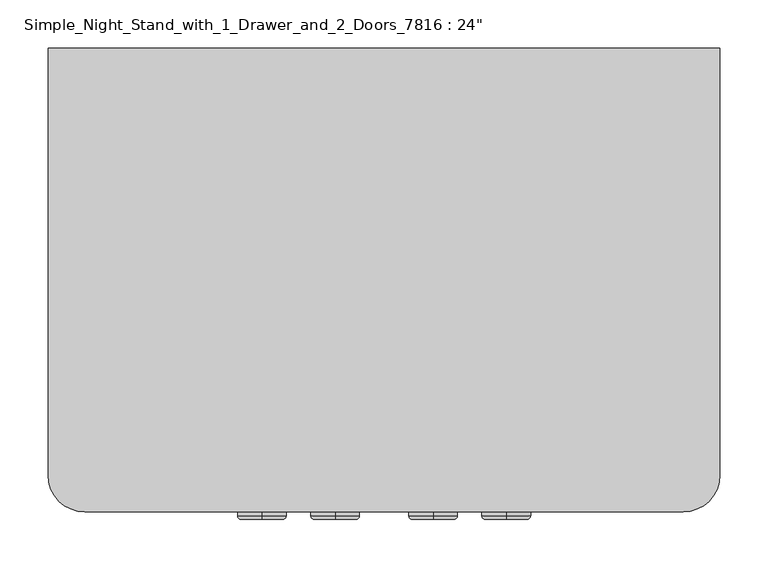
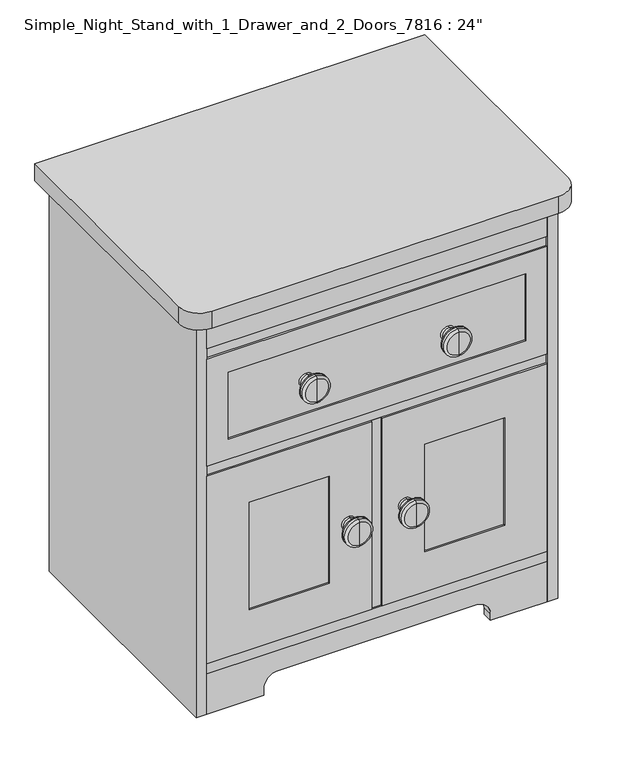
"""IFC4 building model written with IfcOpenShell, lengths in millimetres: furniture geometry."""

from ifc_helpers import new_model, si_unit, point, frame, frame_2d, origin, origin_with_axes, place, context, project, spatial, polyline, circle_curve, ellipse_curve, trimmed, segment, composite_curve, outline, extrude, source, transform, mapped, element, save
from ifc_brep_helpers import plane_surface, cylinder_surface, revolved_surface, advanced_brep


def furniture_945c31c7(model_context):
    return source(origin(), model_context, "Body", "SolidModel", [
        advanced_brep(
        [(-253.0781031, -461.16875, 558.8), (-253.0781031, -461.16875, 584.2), (-253.0781031, -457.2, 584.2), (-253.0781031, -457.2, 558.8), (-253.0781031, -465.1375, 562.76875), (-253.0781031, -465.1375, 580.23125), (-253.0781031, -465.1375, 564.35625), (-253.0781031, -465.1375, 578.64375), (-253.0781031, -469.10625, 568.325), (-253.0781031, -469.10625, 574.675), (-253.0781031, -473.86875, 568.325), (-253.0781031, -473.86875, 574.675), (-253.0781031, -477.8375, 564.35625), (-253.0781031, -477.8375, 578.64375), (-253.0781031, -477.8375, 550.06875), (-253.0781031, -477.8375, 592.93125), (-253.0781031, -481.80625, 546.1), (-253.0781031, -481.80625, 596.9), (-253.0781031, -486.56875, 546.1), (-253.0781031, -486.56875, 596.9), (-253.0781031, -490.5375, 550.06875), (-253.0781031, -490.5375, 592.93125), (-253.0781031, -490.5375, 571.5), (-253.0781031, -457.2, 571.5)],
        [
            (0, 1, circle_curve(frame((-253.0781031, -461.16875, 571.5), z_axis=(0.0, 1.0, 0.0), x_axis=(0.0, 0.0, 1.0)), 12.7)),
            (1, 2),
            (2, 3, circle_curve(frame((-253.0781031, -457.2, 571.5), z_axis=(0.0, -1.0, 0.0), x_axis=(0.0, 0.0, 1.0)), 12.7)),
            (3, 0),
            (1, 0, circle_curve(frame((-253.0781031, -461.16875, 571.5), z_axis=(0.0, 1.0, 0.0), x_axis=(0.0, 0.0, 1.0)), 12.7)),
            (3, 2, circle_curve(frame((-253.0781031, -457.2, 571.5), z_axis=(0.0, -1.0, 0.0), x_axis=(0.0, 0.0, 1.0)), 12.7)),
            (4, 5, circle_curve(frame((-253.0781031, -465.1375, 571.5), z_axis=(0.0, 1.0, 0.0), x_axis=(0.0, 0.0, 1.0)), 8.73125)),
            (5, 1, circle_curve(frame((-253.0781031, -461.16875, 580.23125), z_axis=(-1.0, 0.0, 0.0), x_axis=(0.0, 0.0, 1.0)), 3.96875)),
            (0, 4, circle_curve(frame((-253.0781031, -461.16875, 562.76875), z_axis=(-1.0, 0.0, 0.0), x_axis=(0.0, 0.0, -1.0)), 3.96875)),
            (5, 4, circle_curve(frame((-253.0781031, -465.1375, 571.5), z_axis=(0.0, 1.0, 0.0), x_axis=(0.0, 0.0, 1.0)), 8.73125)),
            (6, 7, circle_curve(frame((-253.0781031, -465.1375, 571.5), z_axis=(0.0, 1.0, 0.0), x_axis=(0.0, 0.0, 1.0)), 7.14375)),
            (7, 5),
            (4, 6),
            (7, 6, circle_curve(frame((-253.0781031, -465.1375, 571.5), z_axis=(0.0, 1.0, 0.0), x_axis=(0.0, 0.0, 1.0)), 7.14375)),
            (8, 9, circle_curve(frame((-253.0781031, -469.10625, 571.5), z_axis=(0.0, 1.0, 0.0), x_axis=(0.0, 0.0, 1.0)), 3.175)),
            (9, 7, circle_curve(frame((-253.0781031, -469.10625, 578.64375), z_axis=(1.0, 0.0, 0.0), x_axis=(0.0, 0.0, 1.0)), 3.96875)),
            (6, 8, circle_curve(frame((-253.0781031, -469.10625, 564.35625), z_axis=(1.0, 0.0, 0.0), x_axis=(0.0, 0.0, -1.0)), 3.96875)),
            (9, 8, circle_curve(frame((-253.0781031, -469.10625, 571.5), z_axis=(0.0, 1.0, 0.0), x_axis=(0.0, 0.0, 1.0)), 3.175)),
            (10, 11, circle_curve(frame((-253.0781031, -473.86875, 571.5), z_axis=(0.0, 1.0, 0.0), x_axis=(0.0, 0.0, 1.0)), 3.175)),
            (11, 9),
            (8, 10),
            (11, 10, circle_curve(frame((-253.0781031, -473.86875, 571.5), z_axis=(0.0, 1.0, 0.0), x_axis=(0.0, 0.0, 1.0)), 3.175)),
            (12, 13, circle_curve(frame((-253.0781031, -477.8375, 571.5), z_axis=(0.0, 1.0, 0.0), x_axis=(0.0, 0.0, 1.0)), 7.14375)),
            (13, 11, circle_curve(frame((-253.0781031, -473.86875, 578.64375), z_axis=(1.0, 0.0, 0.0), x_axis=(0.0, 0.0, 1.0)), 3.96875)),
            (10, 12, circle_curve(frame((-253.0781031, -473.86875, 564.35625), z_axis=(1.0, 0.0, 0.0), x_axis=(0.0, 0.0, -1.0)), 3.96875)),
            (13, 12, circle_curve(frame((-253.0781031, -477.8375, 571.5), z_axis=(0.0, 1.0, 0.0), x_axis=(0.0, 0.0, 1.0)), 7.14375)),
            (14, 15, circle_curve(frame((-253.0781031, -477.8375, 571.5), z_axis=(0.0, 1.0, 0.0), x_axis=(0.0, 0.0, 1.0)), 21.43125)),
            (15, 13),
            (12, 14),
            (15, 14, circle_curve(frame((-253.0781031, -477.8375, 571.5), z_axis=(0.0, 1.0, 0.0), x_axis=(0.0, 0.0, 1.0)), 21.43125)),
            (16, 17, circle_curve(frame((-253.0781031, -481.80625, 571.5), z_axis=(0.0, 1.0, 0.0), x_axis=(0.0, 0.0, 1.0)), 25.4)),
            (17, 15, circle_curve(frame((-253.0781031, -481.80625, 592.93125), z_axis=(-1.0, 0.0, 0.0), x_axis=(0.0, 0.0, 1.0)), 3.96875)),
            (14, 16, circle_curve(frame((-253.0781031, -481.80625, 550.06875), z_axis=(-1.0, 0.0, 0.0), x_axis=(0.0, 0.0, -1.0)), 3.96875)),
            (17, 16, circle_curve(frame((-253.0781031, -481.80625, 571.5), z_axis=(0.0, 1.0, 0.0), x_axis=(0.0, 0.0, 1.0)), 25.4)),
            (18, 19, circle_curve(frame((-253.0781031, -486.56875, 571.5), z_axis=(0.0, 1.0, 0.0), x_axis=(0.0, 0.0, 1.0)), 25.4)),
            (19, 17),
            (16, 18),
            (19, 18, circle_curve(frame((-253.0781031, -486.56875, 571.5), z_axis=(0.0, 1.0, 0.0), x_axis=(0.0, 0.0, 1.0)), 25.4)),
            (20, 21, circle_curve(frame((-253.0781031, -490.5375, 571.5), z_axis=(0.0, 1.0, 0.0), x_axis=(0.0, 0.0, 1.0)), 21.43125)),
            (21, 19, circle_curve(frame((-253.0781031, -486.56875, 592.93125), z_axis=(-1.0, 0.0, 0.0), x_axis=(0.0, 0.0, 1.0)), 3.96875)),
            (18, 20, circle_curve(frame((-253.0781031, -486.56875, 550.06875), z_axis=(-1.0, 0.0, 0.0), x_axis=(0.0, 0.0, -1.0)), 3.96875)),
            (21, 20, circle_curve(frame((-253.0781031, -490.5375, 571.5), z_axis=(0.0, 1.0, 0.0), x_axis=(0.0, 0.0, 1.0)), 21.43125)),
            (22, 21),
            (20, 22),
            (2, 23),
            (23, 3),
        ],
        [
            cylinder_surface(frame((-253.0781031, -457.2, 571.5), z_axis=(0.0, -1.0, 0.0), x_axis=(0.0, 0.0, 1.0)), 12.7),
            revolved_surface(trimmed(ellipse_curve(frame((-253.0781031, -461.16875, 580.23125), z_axis=(1.0, 0.0, 0.0), x_axis=(0.0, 0.0, 1.0)), 3.96875, 3.96875), [point((-253.0781031, -461.16875, 584.2))], [point((-253.0781031, -465.1375, 580.23125))], True, "CARTESIAN"), (-253.0781031, -457.2, 571.5), (0.0, -1.0, 0.0)),
            plane_surface(frame((-253.0781031, -465.1375, 571.5), z_axis=(0.0, -1.0, 0.0), x_axis=(0.0, 0.0, 1.0))),
            revolved_surface(trimmed(ellipse_curve(frame((-253.0781031, -469.10625, 578.64375), z_axis=(-1.0, 0.0, 0.0), x_axis=(0.0, 0.0, 1.0)), 3.96875, 3.96875), [point((-253.0781031, -465.1375, 578.64375))], [point((-253.0781031, -469.10625, 574.675))], True, "CARTESIAN"), (-253.0781031, -457.2, 571.5), (0.0, -1.0, 0.0)),
            cylinder_surface(frame((-253.0781031, -457.2, 571.5), z_axis=(0.0, -1.0, 0.0), x_axis=(0.0, 0.0, 1.0)), 3.175),
            revolved_surface(trimmed(ellipse_curve(frame((-253.0781031, -473.86875, 578.64375), z_axis=(-1.0, 0.0, 0.0), x_axis=(0.0, 0.0, 1.0)), 3.96875, 3.96875), [point((-253.0781031, -473.86875, 574.675))], [point((-253.0781031, -477.8375, 578.64375))], True, "CARTESIAN"), (-253.0781031, -457.2, 571.5), (0.0, -1.0, 0.0)),
            plane_surface(frame((-253.0781031, -477.8375, 571.5), z_axis=(0.0, 1.0, 0.0), x_axis=(0.0, 0.0, 1.0))),
            revolved_surface(trimmed(ellipse_curve(frame((-253.0781031, -481.80625, 592.93125), z_axis=(1.0, 0.0, 0.0), x_axis=(0.0, 0.0, 1.0)), 3.96875, 3.96875), [point((-253.0781031, -477.8375, 592.93125))], [point((-253.0781031, -481.80625, 596.9))], True, "CARTESIAN"), (-253.0781031, -457.2, 571.5), (0.0, -1.0, 0.0)),
            cylinder_surface(frame((-253.0781031, -457.2, 571.5), z_axis=(0.0, -1.0, 0.0), x_axis=(0.0, 0.0, 1.0)), 25.4),
            revolved_surface(trimmed(ellipse_curve(frame((-253.0781031, -486.56875, 592.93125), z_axis=(1.0, 0.0, 0.0), x_axis=(0.0, 0.0, 1.0)), 3.96875, 3.96875), [point((-253.0781031, -486.56875, 596.9))], [point((-253.0781031, -490.5375, 592.93125))], True, "CARTESIAN"), (-253.0781031, -457.2, 571.5), (0.0, -1.0, 0.0)),
            plane_surface(frame((-253.0781031, -490.5375, 571.5), z_axis=(0.0, -1.0, 0.0), x_axis=(0.0, 0.0, 1.0))),
            plane_surface(frame((-253.0781031, -457.2, 571.5), z_axis=(0.0, 1.0, 0.0), x_axis=(0.0, 0.0, 1.0))),
        ],
        [
            (0, [[1, 2, 3, 4]]),
            (0, [[5, -4, 6, -2]]),
            (1, [[7, 8, -1, 9]]),
            (1, [[10, -9, -5, -8]]),
            (2, [[11, 12, -7, 13]]),
            (2, [[14, -13, -10, -12]]),
            (3, [[15, 16, -11, 17]]),
            (3, [[18, -17, -14, -16]]),
            (4, [[19, 20, -15, 21]]),
            (4, [[22, -21, -18, -20]]),
            (5, [[23, 24, -19, 25]]),
            (5, [[26, -25, -22, -24]]),
            (6, [[27, 28, -23, 29]]),
            (6, [[30, -29, -26, -28]]),
            (7, [[31, 32, -27, 33]]),
            (7, [[34, -33, -30, -32]]),
            (8, [[35, 36, -31, 37]]),
            (8, [[38, -37, -34, -36]]),
            (9, [[39, 40, -35, 41]]),
            (9, [[42, -41, -38, -40]]),
            (10, [[43, -39, 44]]),
            (10, [[-44, -42, -43]]),
            (11, [[-3, 45, 46]]),
            (11, [[-6, -46, -45]]),
        ],
    ),
        advanced_brep(
        [(0.9218969, -461.16875, 558.8), (0.9218969, -461.16875, 584.2), (0.9218969, -457.2, 584.2), (0.9218969, -457.2, 558.8), (0.9218969, -465.1375, 562.76875), (0.9218969, -465.1375, 580.23125), (0.9218969, -465.1375, 564.35625), (0.9218969, -465.1375, 578.64375), (0.9218969, -469.10625, 568.325), (0.9218969, -469.10625, 574.675), (0.9218969, -473.86875, 568.325), (0.9218969, -473.86875, 574.675), (0.9218969, -477.8375, 564.35625), (0.9218969, -477.8375, 578.64375), (0.9218969, -477.8375, 550.06875), (0.9218969, -477.8375, 592.93125), (0.9218969, -481.80625, 546.1), (0.9218969, -481.80625, 596.9), (0.9218969, -486.56875, 546.1), (0.9218969, -486.56875, 596.9), (0.9218969, -490.5375, 550.06875), (0.9218969, -490.5375, 592.93125), (0.9218969, -490.5375, 571.5), (0.9218969, -457.2, 571.5)],
        [
            (0, 1, circle_curve(frame((0.9218969, -461.16875, 571.5), z_axis=(0.0, 1.0, 0.0), x_axis=(0.0, 0.0, 1.0)), 12.7)),
            (1, 2),
            (2, 3, circle_curve(frame((0.9218969, -457.2, 571.5), z_axis=(0.0, -1.0, 0.0), x_axis=(0.0, 0.0, 1.0)), 12.7)),
            (3, 0),
            (1, 0, circle_curve(frame((0.9218969, -461.16875, 571.5), z_axis=(0.0, 1.0, 0.0), x_axis=(0.0, 0.0, 1.0)), 12.7)),
            (3, 2, circle_curve(frame((0.9218969, -457.2, 571.5), z_axis=(0.0, -1.0, 0.0), x_axis=(0.0, 0.0, 1.0)), 12.7)),
            (4, 5, circle_curve(frame((0.9218969, -465.1375, 571.5), z_axis=(0.0, 1.0, 0.0), x_axis=(0.0, 0.0, 1.0)), 8.73125)),
            (5, 1, circle_curve(frame((0.9218969, -461.16875, 580.23125), z_axis=(-1.0, 0.0, 0.0), x_axis=(0.0, 0.0, 1.0)), 3.96875)),
            (0, 4, circle_curve(frame((0.9218969, -461.16875, 562.76875), z_axis=(-1.0, 0.0, 0.0), x_axis=(0.0, 0.0, -1.0)), 3.96875)),
            (5, 4, circle_curve(frame((0.9218969, -465.1375, 571.5), z_axis=(0.0, 1.0, 0.0), x_axis=(0.0, 0.0, 1.0)), 8.73125)),
            (6, 7, circle_curve(frame((0.9218969, -465.1375, 571.5), z_axis=(0.0, 1.0, 0.0), x_axis=(0.0, 0.0, 1.0)), 7.14375)),
            (7, 5),
            (4, 6),
            (7, 6, circle_curve(frame((0.9218969, -465.1375, 571.5), z_axis=(0.0, 1.0, 0.0), x_axis=(0.0, 0.0, 1.0)), 7.14375)),
            (8, 9, circle_curve(frame((0.9218969, -469.10625, 571.5), z_axis=(0.0, 1.0, 0.0), x_axis=(0.0, 0.0, 1.0)), 3.175)),
            (9, 7, circle_curve(frame((0.9218969, -469.10625, 578.64375), z_axis=(1.0, 0.0, 0.0), x_axis=(0.0, 0.0, 1.0)), 3.96875)),
            (6, 8, circle_curve(frame((0.9218969, -469.10625, 564.35625), z_axis=(1.0, 0.0, 0.0), x_axis=(0.0, 0.0, -1.0)), 3.96875)),
            (9, 8, circle_curve(frame((0.9218969, -469.10625, 571.5), z_axis=(0.0, 1.0, 0.0), x_axis=(0.0, 0.0, 1.0)), 3.175)),
            (10, 11, circle_curve(frame((0.9218969, -473.86875, 571.5), z_axis=(0.0, 1.0, 0.0), x_axis=(0.0, 0.0, 1.0)), 3.175)),
            (11, 9),
            (8, 10),
            (11, 10, circle_curve(frame((0.9218969, -473.86875, 571.5), z_axis=(0.0, 1.0, 0.0), x_axis=(0.0, 0.0, 1.0)), 3.175)),
            (12, 13, circle_curve(frame((0.9218969, -477.8375, 571.5), z_axis=(0.0, 1.0, 0.0), x_axis=(0.0, 0.0, 1.0)), 7.14375)),
            (13, 11, circle_curve(frame((0.9218969, -473.86875, 578.64375), z_axis=(1.0, 0.0, 0.0), x_axis=(0.0, 0.0, 1.0)), 3.96875)),
            (10, 12, circle_curve(frame((0.9218969, -473.86875, 564.35625), z_axis=(1.0, 0.0, 0.0), x_axis=(0.0, 0.0, -1.0)), 3.96875)),
            (13, 12, circle_curve(frame((0.9218969, -477.8375, 571.5), z_axis=(0.0, 1.0, 0.0), x_axis=(0.0, 0.0, 1.0)), 7.14375)),
            (14, 15, circle_curve(frame((0.9218969, -477.8375, 571.5), z_axis=(0.0, 1.0, 0.0), x_axis=(0.0, 0.0, 1.0)), 21.43125)),
            (15, 13),
            (12, 14),
            (15, 14, circle_curve(frame((0.9218969, -477.8375, 571.5), z_axis=(0.0, 1.0, 0.0), x_axis=(0.0, 0.0, 1.0)), 21.43125)),
            (16, 17, circle_curve(frame((0.9218969, -481.80625, 571.5), z_axis=(0.0, 1.0, 0.0), x_axis=(0.0, 0.0, 1.0)), 25.4)),
            (17, 15, circle_curve(frame((0.9218969, -481.80625, 592.93125), z_axis=(-1.0, 0.0, 0.0), x_axis=(0.0, 0.0, 1.0)), 3.96875)),
            (14, 16, circle_curve(frame((0.9218969, -481.80625, 550.06875), z_axis=(-1.0, 0.0, 0.0), x_axis=(0.0, 0.0, -1.0)), 3.96875)),
            (17, 16, circle_curve(frame((0.9218969, -481.80625, 571.5), z_axis=(0.0, 1.0, 0.0), x_axis=(0.0, 0.0, 1.0)), 25.4)),
            (18, 19, circle_curve(frame((0.9218969, -486.56875, 571.5), z_axis=(0.0, 1.0, 0.0), x_axis=(0.0, 0.0, 1.0)), 25.4)),
            (19, 17),
            (16, 18),
            (19, 18, circle_curve(frame((0.9218969, -486.56875, 571.5), z_axis=(0.0, 1.0, 0.0), x_axis=(0.0, 0.0, 1.0)), 25.4)),
            (20, 21, circle_curve(frame((0.9218969, -490.5375, 571.5), z_axis=(0.0, 1.0, 0.0), x_axis=(0.0, 0.0, 1.0)), 21.43125)),
            (21, 19, circle_curve(frame((0.9218969, -486.56875, 592.93125), z_axis=(-1.0, 0.0, 0.0), x_axis=(0.0, 0.0, 1.0)), 3.96875)),
            (18, 20, circle_curve(frame((0.9218969, -486.56875, 550.06875), z_axis=(-1.0, 0.0, 0.0), x_axis=(0.0, 0.0, -1.0)), 3.96875)),
            (21, 20, circle_curve(frame((0.9218969, -490.5375, 571.5), z_axis=(0.0, 1.0, 0.0), x_axis=(0.0, 0.0, 1.0)), 21.43125)),
            (22, 21),
            (20, 22),
            (2, 23),
            (23, 3),
        ],
        [
            cylinder_surface(frame((0.9218969, -457.2, 571.5), z_axis=(0.0, -1.0, 0.0), x_axis=(0.0, 0.0, 1.0)), 12.7),
            revolved_surface(trimmed(ellipse_curve(frame((0.9218969, -461.16875, 580.23125), z_axis=(1.0, 0.0, 0.0), x_axis=(0.0, 0.0, 1.0)), 3.96875, 3.96875), [point((0.9218969, -461.16875, 584.2))], [point((0.9218969, -465.1375, 580.23125))], True, "CARTESIAN"), (0.9218969, -457.2, 571.5), (0.0, -1.0, 0.0)),
            plane_surface(frame((0.9218969, -465.1375, 571.5), z_axis=(0.0, -1.0, 0.0), x_axis=(0.0, 0.0, 1.0))),
            revolved_surface(trimmed(ellipse_curve(frame((0.9218969, -469.10625, 578.64375), z_axis=(-1.0, 0.0, 0.0), x_axis=(0.0, 0.0, 1.0)), 3.96875, 3.96875), [point((0.9218969, -465.1375, 578.64375))], [point((0.9218969, -469.10625, 574.675))], True, "CARTESIAN"), (0.9218969, -457.2, 571.5), (0.0, -1.0, 0.0)),
            cylinder_surface(frame((0.9218969, -457.2, 571.5), z_axis=(0.0, -1.0, 0.0), x_axis=(0.0, 0.0, 1.0)), 3.175),
            revolved_surface(trimmed(ellipse_curve(frame((0.9218969, -473.86875, 578.64375), z_axis=(-1.0, 0.0, 0.0), x_axis=(0.0, 0.0, 1.0)), 3.96875, 3.96875), [point((0.9218969, -473.86875, 574.675))], [point((0.9218969, -477.8375, 578.64375))], True, "CARTESIAN"), (0.9218969, -457.2, 571.5), (0.0, -1.0, 0.0)),
            plane_surface(frame((0.9218969, -477.8375, 571.5), z_axis=(0.0, 1.0, 0.0), x_axis=(0.0, 0.0, 1.0))),
            revolved_surface(trimmed(ellipse_curve(frame((0.9218969, -481.80625, 592.93125), z_axis=(1.0, 0.0, 0.0), x_axis=(0.0, 0.0, 1.0)), 3.96875, 3.96875), [point((0.9218969, -477.8375, 592.93125))], [point((0.9218969, -481.80625, 596.9))], True, "CARTESIAN"), (0.9218969, -457.2, 571.5), (0.0, -1.0, 0.0)),
            cylinder_surface(frame((0.9218969, -457.2, 571.5), z_axis=(0.0, -1.0, 0.0), x_axis=(0.0, 0.0, 1.0)), 25.4),
            revolved_surface(trimmed(ellipse_curve(frame((0.9218969, -486.56875, 592.93125), z_axis=(1.0, 0.0, 0.0), x_axis=(0.0, 0.0, 1.0)), 3.96875, 3.96875), [point((0.9218969, -486.56875, 596.9))], [point((0.9218969, -490.5375, 592.93125))], True, "CARTESIAN"), (0.9218969, -457.2, 571.5), (0.0, -1.0, 0.0)),
            plane_surface(frame((0.9218969, -490.5375, 571.5), z_axis=(0.0, -1.0, 0.0), x_axis=(0.0, 0.0, 1.0))),
            plane_surface(frame((0.9218969, -457.2, 571.5), z_axis=(0.0, 1.0, 0.0), x_axis=(0.0, 0.0, 1.0))),
        ],
        [
            (0, [[1, 2, 3, 4]]),
            (0, [[5, -4, 6, -2]]),
            (1, [[7, 8, -1, 9]]),
            (1, [[10, -9, -5, -8]]),
            (2, [[11, 12, -7, 13]]),
            (2, [[14, -13, -10, -12]]),
            (3, [[15, 16, -11, 17]]),
            (3, [[18, -17, -14, -16]]),
            (4, [[19, 20, -15, 21]]),
            (4, [[22, -21, -18, -20]]),
            (5, [[23, 24, -19, 25]]),
            (5, [[26, -25, -22, -24]]),
            (6, [[27, 28, -23, 29]]),
            (6, [[30, -29, -26, -28]]),
            (7, [[31, 32, -27, 33]]),
            (7, [[34, -33, -30, -32]]),
            (8, [[35, 36, -31, 37]]),
            (8, [[38, -37, -34, -36]]),
            (9, [[39, 40, -35, 41]]),
            (9, [[42, -41, -38, -40]]),
            (10, [[43, -39, 44]]),
            (10, [[-44, -42, -43]]),
            (11, [[-3, 45, 46]]),
            (11, [[-6, -46, -45]]),
        ],
    ),
        advanced_brep(
        [(-75.1068197, -461.16875, 260.35), (-75.1068197, -461.16875, 285.75), (-75.1068197, -457.2, 285.75), (-75.1068197, -457.2, 260.35), (-75.1068197, -465.1375, 264.31875), (-75.1068197, -465.1375, 281.78125), (-75.1068197, -465.1375, 265.90625), (-75.1068197, -465.1375, 280.19375), (-75.1068197, -469.10625, 269.875), (-75.1068197, -469.10625, 276.225), (-75.1068197, -473.86875, 269.875), (-75.1068197, -473.86875, 276.225), (-75.1068197, -477.8375, 265.90625), (-75.1068197, -477.8375, 280.19375), (-75.1068197, -477.8375, 251.61875), (-75.1068197, -477.8375, 294.48125), (-75.1068197, -481.80625, 247.65), (-75.1068197, -481.80625, 298.45), (-75.1068197, -486.56875, 247.65), (-75.1068197, -486.56875, 298.45), (-75.1068197, -490.5375, 251.61875), (-75.1068197, -490.5375, 294.48125), (-75.1068197, -490.5375, 273.05), (-75.1068197, -457.2, 273.05)],
        [
            (0, 1, circle_curve(frame((-75.1068197, -461.16875, 273.05), z_axis=(0.0, 1.0, 0.0), x_axis=(0.0, 0.0, 1.0)), 12.7)),
            (1, 2),
            (2, 3, circle_curve(frame((-75.1068197, -457.2, 273.05), z_axis=(0.0, -1.0, 0.0), x_axis=(0.0, 0.0, 1.0)), 12.7)),
            (3, 0),
            (1, 0, circle_curve(frame((-75.1068197, -461.16875, 273.05), z_axis=(0.0, 1.0, 0.0), x_axis=(0.0, 0.0, 1.0)), 12.7)),
            (3, 2, circle_curve(frame((-75.1068197, -457.2, 273.05), z_axis=(0.0, -1.0, 0.0), x_axis=(0.0, 0.0, 1.0)), 12.7)),
            (4, 5, circle_curve(frame((-75.1068197, -465.1375, 273.05), z_axis=(0.0, 1.0, 0.0), x_axis=(0.0, 0.0, 1.0)), 8.73125)),
            (5, 1, circle_curve(frame((-75.1068197, -461.16875, 281.78125), z_axis=(-1.0, 0.0, 0.0), x_axis=(0.0, 0.0, 1.0)), 3.96875)),
            (0, 4, circle_curve(frame((-75.1068197, -461.16875, 264.31875), z_axis=(-1.0, 0.0, 0.0), x_axis=(0.0, 0.0, -1.0)), 3.96875)),
            (5, 4, circle_curve(frame((-75.1068197, -465.1375, 273.05), z_axis=(0.0, 1.0, 0.0), x_axis=(0.0, 0.0, 1.0)), 8.73125)),
            (6, 7, circle_curve(frame((-75.1068197, -465.1375, 273.05), z_axis=(0.0, 1.0, 0.0), x_axis=(0.0, 0.0, 1.0)), 7.14375)),
            (7, 5),
            (4, 6),
            (7, 6, circle_curve(frame((-75.1068197, -465.1375, 273.05), z_axis=(0.0, 1.0, 0.0), x_axis=(0.0, 0.0, 1.0)), 7.14375)),
            (8, 9, circle_curve(frame((-75.1068197, -469.10625, 273.05), z_axis=(0.0, 1.0, 0.0), x_axis=(0.0, 0.0, 1.0)), 3.175)),
            (9, 7, circle_curve(frame((-75.1068197, -469.10625, 280.19375), z_axis=(1.0, 0.0, 0.0), x_axis=(0.0, 0.0, 1.0)), 3.96875)),
            (6, 8, circle_curve(frame((-75.1068197, -469.10625, 265.90625), z_axis=(1.0, 0.0, 0.0), x_axis=(0.0, 0.0, -1.0)), 3.96875)),
            (9, 8, circle_curve(frame((-75.1068197, -469.10625, 273.05), z_axis=(0.0, 1.0, 0.0), x_axis=(0.0, 0.0, 1.0)), 3.175)),
            (10, 11, circle_curve(frame((-75.1068197, -473.86875, 273.05), z_axis=(0.0, 1.0, 0.0), x_axis=(0.0, 0.0, 1.0)), 3.175)),
            (11, 9),
            (8, 10),
            (11, 10, circle_curve(frame((-75.1068197, -473.86875, 273.05), z_axis=(0.0, 1.0, 0.0), x_axis=(0.0, 0.0, 1.0)), 3.175)),
            (12, 13, circle_curve(frame((-75.1068197, -477.8375, 273.05), z_axis=(0.0, 1.0, 0.0), x_axis=(0.0, 0.0, 1.0)), 7.14375)),
            (13, 11, circle_curve(frame((-75.1068197, -473.86875, 280.19375), z_axis=(1.0, 0.0, 0.0), x_axis=(0.0, 0.0, 1.0)), 3.96875)),
            (10, 12, circle_curve(frame((-75.1068197, -473.86875, 265.90625), z_axis=(1.0, 0.0, 0.0), x_axis=(0.0, 0.0, -1.0)), 3.96875)),
            (13, 12, circle_curve(frame((-75.1068197, -477.8375, 273.05), z_axis=(0.0, 1.0, 0.0), x_axis=(0.0, 0.0, 1.0)), 7.14375)),
            (14, 15, circle_curve(frame((-75.1068197, -477.8375, 273.05), z_axis=(0.0, 1.0, 0.0), x_axis=(0.0, 0.0, 1.0)), 21.43125)),
            (15, 13),
            (12, 14),
            (15, 14, circle_curve(frame((-75.1068197, -477.8375, 273.05), z_axis=(0.0, 1.0, 0.0), x_axis=(0.0, 0.0, 1.0)), 21.43125)),
            (16, 17, circle_curve(frame((-75.1068197, -481.80625, 273.05), z_axis=(0.0, 1.0, 0.0), x_axis=(0.0, 0.0, 1.0)), 25.4)),
            (17, 15, circle_curve(frame((-75.1068197, -481.80625, 294.48125), z_axis=(-1.0, 0.0, 0.0), x_axis=(0.0, 0.0, 1.0)), 3.96875)),
            (14, 16, circle_curve(frame((-75.1068197, -481.80625, 251.61875), z_axis=(-1.0, 0.0, 0.0), x_axis=(0.0, 0.0, -1.0)), 3.96875)),
            (17, 16, circle_curve(frame((-75.1068197, -481.80625, 273.05), z_axis=(0.0, 1.0, 0.0), x_axis=(0.0, 0.0, 1.0)), 25.4)),
            (18, 19, circle_curve(frame((-75.1068197, -486.56875, 273.05), z_axis=(0.0, 1.0, 0.0), x_axis=(0.0, 0.0, 1.0)), 25.4)),
            (19, 17),
            (16, 18),
            (19, 18, circle_curve(frame((-75.1068197, -486.56875, 273.05), z_axis=(0.0, 1.0, 0.0), x_axis=(0.0, 0.0, 1.0)), 25.4)),
            (20, 21, circle_curve(frame((-75.1068197, -490.5375, 273.05), z_axis=(0.0, 1.0, 0.0), x_axis=(0.0, 0.0, 1.0)), 21.43125)),
            (21, 19, circle_curve(frame((-75.1068197, -486.56875, 294.48125), z_axis=(-1.0, 0.0, 0.0), x_axis=(0.0, 0.0, 1.0)), 3.96875)),
            (18, 20, circle_curve(frame((-75.1068197, -486.56875, 251.61875), z_axis=(-1.0, 0.0, 0.0), x_axis=(0.0, 0.0, -1.0)), 3.96875)),
            (21, 20, circle_curve(frame((-75.1068197, -490.5375, 273.05), z_axis=(0.0, 1.0, 0.0), x_axis=(0.0, 0.0, 1.0)), 21.43125)),
            (22, 21),
            (20, 22),
            (2, 23),
            (23, 3),
        ],
        [
            cylinder_surface(frame((-75.1068197, -457.2, 273.05), z_axis=(0.0, -1.0, 0.0), x_axis=(0.0, 0.0, 1.0)), 12.7),
            revolved_surface(trimmed(ellipse_curve(frame((-75.1068197, -461.16875, 281.78125), z_axis=(1.0, 0.0, 0.0), x_axis=(0.0, 0.0, 1.0)), 3.96875, 3.96875), [point((-75.1068197, -461.16875, 285.75))], [point((-75.1068197, -465.1375, 281.78125))], True, "CARTESIAN"), (-75.1068197, -457.2, 273.05), (0.0, -1.0, 0.0)),
            plane_surface(frame((-75.1068197, -465.1375, 273.05), z_axis=(0.0, -1.0, 0.0), x_axis=(0.0, 0.0, 1.0))),
            revolved_surface(trimmed(ellipse_curve(frame((-75.1068197, -469.10625, 280.19375), z_axis=(-1.0, 0.0, 0.0), x_axis=(0.0, 0.0, 1.0)), 3.96875, 3.96875), [point((-75.1068197, -465.1375, 280.19375))], [point((-75.1068197, -469.10625, 276.225))], True, "CARTESIAN"), (-75.1068197, -457.2, 273.05), (0.0, -1.0, 0.0)),
            cylinder_surface(frame((-75.1068197, -457.2, 273.05), z_axis=(0.0, -1.0, 0.0), x_axis=(0.0, 0.0, 1.0)), 3.175),
            revolved_surface(trimmed(ellipse_curve(frame((-75.1068197, -473.86875, 280.19375), z_axis=(-1.0, 0.0, 0.0), x_axis=(0.0, 0.0, 1.0)), 3.96875, 3.96875), [point((-75.1068197, -473.86875, 276.225))], [point((-75.1068197, -477.8375, 280.19375))], True, "CARTESIAN"), (-75.1068197, -457.2, 273.05), (0.0, -1.0, 0.0)),
            plane_surface(frame((-75.1068197, -477.8375, 273.05), z_axis=(0.0, 1.0, 0.0), x_axis=(0.0, 0.0, 1.0))),
            revolved_surface(trimmed(ellipse_curve(frame((-75.1068197, -481.80625, 294.48125), z_axis=(1.0, 0.0, 0.0), x_axis=(0.0, 0.0, 1.0)), 3.96875, 3.96875), [point((-75.1068197, -477.8375, 294.48125))], [point((-75.1068197, -481.80625, 298.45))], True, "CARTESIAN"), (-75.1068197, -457.2, 273.05), (0.0, -1.0, 0.0)),
            cylinder_surface(frame((-75.1068197, -457.2, 273.05), z_axis=(0.0, -1.0, 0.0), x_axis=(0.0, 0.0, 1.0)), 25.4),
            revolved_surface(trimmed(ellipse_curve(frame((-75.1068197, -486.56875, 294.48125), z_axis=(1.0, 0.0, 0.0), x_axis=(0.0, 0.0, 1.0)), 3.96875, 3.96875), [point((-75.1068197, -486.56875, 298.45))], [point((-75.1068197, -490.5375, 294.48125))], True, "CARTESIAN"), (-75.1068197, -457.2, 273.05), (0.0, -1.0, 0.0)),
            plane_surface(frame((-75.1068197, -490.5375, 273.05), z_axis=(0.0, -1.0, 0.0), x_axis=(0.0, 0.0, 1.0))),
            plane_surface(frame((-75.1068197, -457.2, 273.05), z_axis=(0.0, 1.0, 0.0), x_axis=(0.0, 0.0, 1.0))),
        ],
        [
            (0, [[1, 2, 3, 4]]),
            (0, [[5, -4, 6, -2]]),
            (1, [[7, 8, -1, 9]]),
            (1, [[10, -9, -5, -8]]),
            (2, [[11, 12, -7, 13]]),
            (2, [[14, -13, -10, -12]]),
            (3, [[15, 16, -11, 17]]),
            (3, [[18, -17, -14, -16]]),
            (4, [[19, 20, -15, 21]]),
            (4, [[22, -21, -18, -20]]),
            (5, [[23, 24, -19, 25]]),
            (5, [[26, -25, -22, -24]]),
            (6, [[27, 28, -23, 29]]),
            (6, [[30, -29, -26, -28]]),
            (7, [[31, 32, -27, 33]]),
            (7, [[34, -33, -30, -32]]),
            (8, [[35, 36, -31, 37]]),
            (8, [[38, -37, -34, -36]]),
            (9, [[39, 40, -35, 41]]),
            (9, [[42, -41, -38, -40]]),
            (10, [[43, -39, 44]]),
            (10, [[-44, -42, -43]]),
            (11, [[-3, 45, 46]]),
            (11, [[-6, -46, -45]]),
        ],
    ),
        advanced_brep(
        [(-176.8781031, -461.16875, 260.35), (-176.8781031, -461.16875, 285.75), (-176.8781031, -457.2, 285.75), (-176.8781031, -457.2, 260.35), (-176.8781031, -465.1375, 264.31875), (-176.8781031, -465.1375, 281.78125), (-176.8781031, -465.1375, 265.90625), (-176.8781031, -465.1375, 280.19375), (-176.8781031, -469.10625, 269.875), (-176.8781031, -469.10625, 276.225), (-176.8781031, -473.86875, 269.875), (-176.8781031, -473.86875, 276.225), (-176.8781031, -477.8375, 265.90625), (-176.8781031, -477.8375, 280.19375), (-176.8781031, -477.8375, 251.61875), (-176.8781031, -477.8375, 294.48125), (-176.8781031, -481.80625, 247.65), (-176.8781031, -481.80625, 298.45), (-176.8781031, -486.56875, 247.65), (-176.8781031, -486.56875, 298.45), (-176.8781031, -490.5375, 251.61875), (-176.8781031, -490.5375, 294.48125), (-176.8781031, -490.5375, 273.05), (-176.8781031, -457.2, 273.05)],
        [
            (0, 1, circle_curve(frame((-176.8781031, -461.16875, 273.05), z_axis=(0.0, 1.0, 0.0), x_axis=(0.0, 0.0, 1.0)), 12.7)),
            (1, 2),
            (2, 3, circle_curve(frame((-176.8781031, -457.2, 273.05), z_axis=(0.0, -1.0, 0.0), x_axis=(0.0, 0.0, 1.0)), 12.7)),
            (3, 0),
            (1, 0, circle_curve(frame((-176.8781031, -461.16875, 273.05), z_axis=(0.0, 1.0, 0.0), x_axis=(0.0, 0.0, 1.0)), 12.7)),
            (3, 2, circle_curve(frame((-176.8781031, -457.2, 273.05), z_axis=(0.0, -1.0, 0.0), x_axis=(0.0, 0.0, 1.0)), 12.7)),
            (4, 5, circle_curve(frame((-176.8781031, -465.1375, 273.05), z_axis=(0.0, 1.0, 0.0), x_axis=(0.0, 0.0, 1.0)), 8.73125)),
            (5, 1, circle_curve(frame((-176.8781031, -461.16875, 281.78125), z_axis=(-1.0, 0.0, 0.0), x_axis=(0.0, 0.0, 1.0)), 3.96875)),
            (0, 4, circle_curve(frame((-176.8781031, -461.16875, 264.31875), z_axis=(-1.0, 0.0, 0.0), x_axis=(0.0, 0.0, -1.0)), 3.96875)),
            (5, 4, circle_curve(frame((-176.8781031, -465.1375, 273.05), z_axis=(0.0, 1.0, 0.0), x_axis=(0.0, 0.0, 1.0)), 8.73125)),
            (6, 7, circle_curve(frame((-176.8781031, -465.1375, 273.05), z_axis=(0.0, 1.0, 0.0), x_axis=(0.0, 0.0, 1.0)), 7.14375)),
            (7, 5),
            (4, 6),
            (7, 6, circle_curve(frame((-176.8781031, -465.1375, 273.05), z_axis=(0.0, 1.0, 0.0), x_axis=(0.0, 0.0, 1.0)), 7.14375)),
            (8, 9, circle_curve(frame((-176.8781031, -469.10625, 273.05), z_axis=(0.0, 1.0, 0.0), x_axis=(0.0, 0.0, 1.0)), 3.175)),
            (9, 7, circle_curve(frame((-176.8781031, -469.10625, 280.19375), z_axis=(1.0, 0.0, 0.0), x_axis=(0.0, 0.0, 1.0)), 3.96875)),
            (6, 8, circle_curve(frame((-176.8781031, -469.10625, 265.90625), z_axis=(1.0, 0.0, 0.0), x_axis=(0.0, 0.0, -1.0)), 3.96875)),
            (9, 8, circle_curve(frame((-176.8781031, -469.10625, 273.05), z_axis=(0.0, 1.0, 0.0), x_axis=(0.0, 0.0, 1.0)), 3.175)),
            (10, 11, circle_curve(frame((-176.8781031, -473.86875, 273.05), z_axis=(0.0, 1.0, 0.0), x_axis=(0.0, 0.0, 1.0)), 3.175)),
            (11, 9),
            (8, 10),
            (11, 10, circle_curve(frame((-176.8781031, -473.86875, 273.05), z_axis=(0.0, 1.0, 0.0), x_axis=(0.0, 0.0, 1.0)), 3.175)),
            (12, 13, circle_curve(frame((-176.8781031, -477.8375, 273.05), z_axis=(0.0, 1.0, 0.0), x_axis=(0.0, 0.0, 1.0)), 7.14375)),
            (13, 11, circle_curve(frame((-176.8781031, -473.86875, 280.19375), z_axis=(1.0, 0.0, 0.0), x_axis=(0.0, 0.0, 1.0)), 3.96875)),
            (10, 12, circle_curve(frame((-176.8781031, -473.86875, 265.90625), z_axis=(1.0, 0.0, 0.0), x_axis=(0.0, 0.0, -1.0)), 3.96875)),
            (13, 12, circle_curve(frame((-176.8781031, -477.8375, 273.05), z_axis=(0.0, 1.0, 0.0), x_axis=(0.0, 0.0, 1.0)), 7.14375)),
            (14, 15, circle_curve(frame((-176.8781031, -477.8375, 273.05), z_axis=(0.0, 1.0, 0.0), x_axis=(0.0, 0.0, 1.0)), 21.43125)),
            (15, 13),
            (12, 14),
            (15, 14, circle_curve(frame((-176.8781031, -477.8375, 273.05), z_axis=(0.0, 1.0, 0.0), x_axis=(0.0, 0.0, 1.0)), 21.43125)),
            (16, 17, circle_curve(frame((-176.8781031, -481.80625, 273.05), z_axis=(0.0, 1.0, 0.0), x_axis=(0.0, 0.0, 1.0)), 25.4)),
            (17, 15, circle_curve(frame((-176.8781031, -481.80625, 294.48125), z_axis=(-1.0, 0.0, 0.0), x_axis=(0.0, 0.0, 1.0)), 3.96875)),
            (14, 16, circle_curve(frame((-176.8781031, -481.80625, 251.61875), z_axis=(-1.0, 0.0, 0.0), x_axis=(0.0, 0.0, -1.0)), 3.96875)),
            (17, 16, circle_curve(frame((-176.8781031, -481.80625, 273.05), z_axis=(0.0, 1.0, 0.0), x_axis=(0.0, 0.0, 1.0)), 25.4)),
            (18, 19, circle_curve(frame((-176.8781031, -486.56875, 273.05), z_axis=(0.0, 1.0, 0.0), x_axis=(0.0, 0.0, 1.0)), 25.4)),
            (19, 17),
            (16, 18),
            (19, 18, circle_curve(frame((-176.8781031, -486.56875, 273.05), z_axis=(0.0, 1.0, 0.0), x_axis=(0.0, 0.0, 1.0)), 25.4)),
            (20, 21, circle_curve(frame((-176.8781031, -490.5375, 273.05), z_axis=(0.0, 1.0, 0.0), x_axis=(0.0, 0.0, 1.0)), 21.43125)),
            (21, 19, circle_curve(frame((-176.8781031, -486.56875, 294.48125), z_axis=(-1.0, 0.0, 0.0), x_axis=(0.0, 0.0, 1.0)), 3.96875)),
            (18, 20, circle_curve(frame((-176.8781031, -486.56875, 251.61875), z_axis=(-1.0, 0.0, 0.0), x_axis=(0.0, 0.0, -1.0)), 3.96875)),
            (21, 20, circle_curve(frame((-176.8781031, -490.5375, 273.05), z_axis=(0.0, 1.0, 0.0), x_axis=(0.0, 0.0, 1.0)), 21.43125)),
            (22, 21),
            (20, 22),
            (2, 23),
            (23, 3),
        ],
        [
            cylinder_surface(frame((-176.8781031, -457.2, 273.05), z_axis=(0.0, -1.0, 0.0), x_axis=(0.0, 0.0, 1.0)), 12.7),
            revolved_surface(trimmed(ellipse_curve(frame((-176.8781031, -461.16875, 281.78125), z_axis=(1.0, 0.0, 0.0), x_axis=(0.0, 0.0, 1.0)), 3.96875, 3.96875), [point((-176.8781031, -461.16875, 285.75))], [point((-176.8781031, -465.1375, 281.78125))], True, "CARTESIAN"), (-176.8781031, -457.2, 273.05), (0.0, -1.0, 0.0)),
            plane_surface(frame((-176.8781031, -465.1375, 273.05), z_axis=(0.0, -1.0, 0.0), x_axis=(0.0, 0.0, 1.0))),
            revolved_surface(trimmed(ellipse_curve(frame((-176.8781031, -469.10625, 280.19375), z_axis=(-1.0, 0.0, 0.0), x_axis=(0.0, 0.0, 1.0)), 3.96875, 3.96875), [point((-176.8781031, -465.1375, 280.19375))], [point((-176.8781031, -469.10625, 276.225))], True, "CARTESIAN"), (-176.8781031, -457.2, 273.05), (0.0, -1.0, 0.0)),
            cylinder_surface(frame((-176.8781031, -457.2, 273.05), z_axis=(0.0, -1.0, 0.0), x_axis=(0.0, 0.0, 1.0)), 3.175),
            revolved_surface(trimmed(ellipse_curve(frame((-176.8781031, -473.86875, 280.19375), z_axis=(-1.0, 0.0, 0.0), x_axis=(0.0, 0.0, 1.0)), 3.96875, 3.96875), [point((-176.8781031, -473.86875, 276.225))], [point((-176.8781031, -477.8375, 280.19375))], True, "CARTESIAN"), (-176.8781031, -457.2, 273.05), (0.0, -1.0, 0.0)),
            plane_surface(frame((-176.8781031, -477.8375, 273.05), z_axis=(0.0, 1.0, 0.0), x_axis=(0.0, 0.0, 1.0))),
            revolved_surface(trimmed(ellipse_curve(frame((-176.8781031, -481.80625, 294.48125), z_axis=(1.0, 0.0, 0.0), x_axis=(0.0, 0.0, 1.0)), 3.96875, 3.96875), [point((-176.8781031, -477.8375, 294.48125))], [point((-176.8781031, -481.80625, 298.45))], True, "CARTESIAN"), (-176.8781031, -457.2, 273.05), (0.0, -1.0, 0.0)),
            cylinder_surface(frame((-176.8781031, -457.2, 273.05), z_axis=(0.0, -1.0, 0.0), x_axis=(0.0, 0.0, 1.0)), 25.4),
            revolved_surface(trimmed(ellipse_curve(frame((-176.8781031, -486.56875, 294.48125), z_axis=(1.0, 0.0, 0.0), x_axis=(0.0, 0.0, 1.0)), 3.96875, 3.96875), [point((-176.8781031, -486.56875, 298.45))], [point((-176.8781031, -490.5375, 294.48125))], True, "CARTESIAN"), (-176.8781031, -457.2, 273.05), (0.0, -1.0, 0.0)),
            plane_surface(frame((-176.8781031, -490.5375, 273.05), z_axis=(0.0, -1.0, 0.0), x_axis=(0.0, 0.0, 1.0))),
            plane_surface(frame((-176.8781031, -457.2, 273.05), z_axis=(0.0, 1.0, 0.0), x_axis=(0.0, 0.0, 1.0))),
        ],
        [
            (0, [[1, 2, 3, 4]]),
            (0, [[5, -4, 6, -2]]),
            (1, [[7, 8, -1, 9]]),
            (1, [[10, -9, -5, -8]]),
            (2, [[11, 12, -7, 13]]),
            (2, [[14, -13, -10, -12]]),
            (3, [[15, 16, -11, 17]]),
            (3, [[18, -17, -14, -16]]),
            (4, [[19, 20, -15, 21]]),
            (4, [[22, -21, -18, -20]]),
            (5, [[23, 24, -19, 25]]),
            (5, [[26, -25, -22, -24]]),
            (6, [[27, 28, -23, 29]]),
            (6, [[30, -29, -26, -28]]),
            (7, [[31, 32, -27, 33]]),
            (7, [[34, -33, -30, -32]]),
            (8, [[35, 36, -31, 37]]),
            (8, [[38, -37, -34, -36]]),
            (9, [[39, 40, -35, 41]]),
            (9, [[42, -41, -38, -40]]),
            (10, [[43, -39, 44]]),
            (10, [[-44, -42, -43]]),
            (11, [[-3, 45, 46]]),
            (11, [[-6, -46, -45]]),
        ],
    ),
        extrude(outline(polyline([(-392.7781031, -441.325), (140.6218969, -441.325), (140.6218969, -454.025), (-392.7781031, -454.025), (-392.7781031, -441.325)])), frame((0.0, 0.0, 508.0), z_axis=(0.0, 0.0, 1.0), x_axis=(1.0, 0.0, 0.0)), (0.0, 0.0, 1.0), 127.0),
        extrude(outline(polyline([(-354.6781031, -441.325), (-211.6318197, -441.325), (-211.6318197, -454.025), (-354.6781031, -454.025), (-354.6781031, -441.325)])), frame((0.0, 0.0, 171.45), z_axis=(0.0, 0.0, 1.0), x_axis=(1.0, 0.0, 0.0)), (0.0, 0.0, 1.0), 203.2),
        extrude(outline(polyline([(-40.5243866, -441.325), (102.5218969, -441.325), (102.5218969, -454.025), (-40.5243866, -454.025), (-40.5243866, -441.325)])), frame((0.0, 0.0, 171.45), z_axis=(0.0, 0.0, 1.0), x_axis=(1.0, 0.0, 0.0)), (0.0, 0.0, 1.0), 203.2),
        extrude(outline(polyline([(95.25, -135.4318197), (450.85, -135.4318197), (450.85, -430.8781031), (95.25, -430.8781031), (95.25, -135.4318197)]), holes=[polyline([(171.45, -211.6318197), (171.45, -354.6781031), (374.65, -354.6781031), (374.65, -211.6318197), (171.45, -211.6318197)])]), frame((0.0, -457.2, 0.0), z_axis=(0.0, 1.0, 0.0), x_axis=(0.0, 0.0, 1.0)), (0.0, 0.0, 1.0), 19.05),
        extrude(outline(polyline([(95.25, 178.7218969), (450.85, 178.7218969), (450.85, -116.7243866), (95.25, -116.7243866), (95.25, 178.7218969)]), holes=[polyline([(374.65, 102.5218969), (171.45, 102.5218969), (171.45, -40.5243866), (374.65, -40.5243866), (374.65, 102.5218969)])]), frame((0.0, -457.2, 0.0), z_axis=(0.0, 1.0, 0.0), x_axis=(0.0, 0.0, 1.0)), (0.0, 0.0, 1.0), 19.05),
        extrude(outline(polyline([(-135.4318197, -6.35), (-116.7243866, -6.35), (-116.7243866, -454.025), (-135.4318197, -454.025), (-135.4318197, -6.35)])), frame((0.0, 0.0, 95.25), z_axis=(0.0, 0.0, 1.0), x_axis=(1.0, 0.0, 0.0)), (0.0, 0.0, 1.0), 355.6),
        extrude(outline(polyline([(-430.8781031, -6.35), (178.7218969, -6.35), (178.7218969, -457.2), (-430.8781031, -457.2), (-430.8781031, -6.35)])), frame((0.0, 0.0, 76.2), z_axis=(0.0, 0.0, 1.0), x_axis=(1.0, 0.0, 0.0)), (0.0, 0.0, 1.0), 19.05),
        extrude(outline(polyline([(-430.8781031, -406.4), (178.7218969, -406.4), (178.7218969, -454.025), (-430.8781031, -454.025), (-430.8781031, -406.4)])), frame((0.0, 0.0, 673.1), z_axis=(0.0, 0.0, 1.0), x_axis=(1.0, 0.0, 0.0)), (0.0, 0.0, 1.0), 19.05),
        extrude(outline(polyline([(-430.8781031, -406.4), (178.7218969, -406.4), (178.7218969, -454.025), (-430.8781031, -454.025), (-430.8781031, -406.4)])), frame((0.0, 0.0, 450.85), z_axis=(0.0, 0.0, 1.0), x_axis=(1.0, 0.0, 0.0)), (0.0, 0.0, 1.0), 19.05),
        extrude(outline(polyline([(178.7218969, -6.35), (-430.8781031, -6.35), (-430.8781031, 0.0), (178.7218969, 0.0), (178.7218969, -6.35)])), frame((0.0, 0.0, 38.1), z_axis=(0.0, 0.0, 1.0), x_axis=(1.0, 0.0, 0.0)), (0.0, 0.0, 1.0), 711.2),
        extrude(outline(composite_curve([segment(polyline([(185.0718969, -482.6), (-437.2281031, -482.6)]), True, "CONTINUOUS"), segment(trimmed(circle_curve(frame_2d((-437.2281031, -444.5)), 38.1), [point((-437.2281031, -482.6))], [point((-475.3281031, -444.5))], False, "CARTESIAN"), True, "CONTINUOUS"), segment(polyline([(-475.3281031, -444.5), (-475.3281031, 0.0), (223.1718969, 0.0), (223.1718969, -444.5)]), True, "CONTINUOUS"), segment(trimmed(circle_curve(frame_2d((185.0718969, -444.5)), 38.1), [point((223.1718969, -444.5))], [point((185.0718969, -482.6))], False, "CARTESIAN"), True, "CONTINUOUS")], self_intersect=False)), frame((0.0, 0.0, 749.3), z_axis=(0.0, 0.0, 1.0), x_axis=(1.0, 0.0, 0.0)), (0.0, 0.0, 1.0), 31.75),
        extrude(outline(composite_curve([segment(polyline([(0.0, 178.7218969), (76.2, 178.7218969), (76.2, -430.8781031), (0.0, -430.8781031), (0.0, -329.2781031), (12.7, -329.2781031)]), True, "CONTINUOUS"), segment(trimmed(circle_curve(frame_2d((12.7, -303.8781031)), 25.4), [point((12.7, -329.2781031))], [point((38.1, -303.8781031))], True, "CARTESIAN"), True, "CONTINUOUS"), segment(polyline([(38.1, -303.8781031), (38.1, 51.7218969)]), True, "CONTINUOUS"), segment(trimmed(circle_curve(frame_2d((12.7, 51.7218969)), 25.4), [point((38.1, 51.7218969))], [point((12.7, 77.1218969))], True, "CARTESIAN"), True, "CONTINUOUS"), segment(polyline([(12.7, 77.1218969), (0.0, 77.1218969), (0.0, 178.7218969)]), True, "CONTINUOUS")], self_intersect=False)), frame((0.0, -457.2, 0.0), z_axis=(0.0, 1.0, 0.0), x_axis=(0.0, 0.0, 1.0)), (0.0, 0.0, 1.0), 19.05),
        extrude(outline(polyline([(-430.8781031, -438.15), (178.7218969, -438.15), (178.7218969, -457.2), (-430.8781031, -457.2), (-430.8781031, -438.15)])), frame((0.0, 0.0, 692.15), z_axis=(0.0, 0.0, 1.0), x_axis=(1.0, 0.0, 0.0)), (0.0, 0.0, 1.0), 57.15),
        extrude(outline(polyline([(469.9, 178.7218969), (673.1, 178.7218969), (673.1, -430.8781031), (469.9, -430.8781031), (469.9, 178.7218969)]), holes=[polyline([(508.0, 140.6218969), (508.0, -392.7781031), (635.0, -392.7781031), (635.0, 140.6218969), (508.0, 140.6218969)])]), frame((0.0, -457.2, 0.0), z_axis=(0.0, 1.0, 0.0), x_axis=(0.0, 0.0, 1.0)), (0.0, 0.0, 1.0), 19.05),
        extrude(outline(composite_curve([segment(polyline([(0.0, 749.3), (0.0, 0.0), (-101.6, 0.0), (-101.6, 12.7)]), True, "CONTINUOUS"), segment(trimmed(circle_curve(frame_2d((-127.0, 12.7)), 25.4), [point((-101.6, 12.7))], [point((-127.0, 38.1))], True, "CARTESIAN"), True, "CONTINUOUS"), segment(polyline([(-127.0, 38.1), (-330.2, 38.1)]), True, "CONTINUOUS"), segment(trimmed(circle_curve(frame_2d((-330.2, 12.7)), 25.4), [point((-330.2, 38.1))], [point((-355.6, 12.7))], True, "CARTESIAN"), True, "CONTINUOUS"), segment(polyline([(-355.6, 12.7), (-355.6, 0.0), (-457.2, 0.0), (-457.2, 749.3), (0.0, 749.3)]), True, "CONTINUOUS")], self_intersect=False)), frame((178.7218969, 0.0, 0.0), z_axis=(1.0, 0.0, 0.0), x_axis=(0.0, 1.0, 0.0)), (0.0, 0.0, 1.0), 19.05),
        extrude(outline(polyline([(-430.8781031, 0.0), (-430.8781031, -457.2), (-449.9281031, -457.2), (-449.9281031, 0.0), (-430.8781031, 0.0)])), origin_with_axes(), (0.0, 0.0, 1.0), 749.3),
    ])


if __name__ == "__main__":
    model = new_model("IFC4")
    model_context = context("Model", 3, world=origin())
    ifc_project = project(units=[si_unit("LENGTHUNIT", "METRE", prefix="MILLI")], contexts=[model_context])
    site = spatial("IfcSite", under=ifc_project)
    building = spatial("IfcBuilding", under=site)
    placement = place(None, origin())
    furniture_shape = furniture_945c31c7(model_context)
    element("IfcFurniture", 1, ObjectType="Simple_Night_Stand_with_1_Drawer_and_2_Doors_7816 : 24\"", at=placement, inside=building, context=model_context, shape_type="MappedRepresentation", body=[
        mapped(furniture_shape, transform((0.0, 0.0, 0.0), x_axis=(1.0, 0.0, 0.0), y_axis=(0.0, 1.0, 0.0), z_axis=(0.0, 0.0, 1.0))),
    ])
    save(model, "model.ifc")
